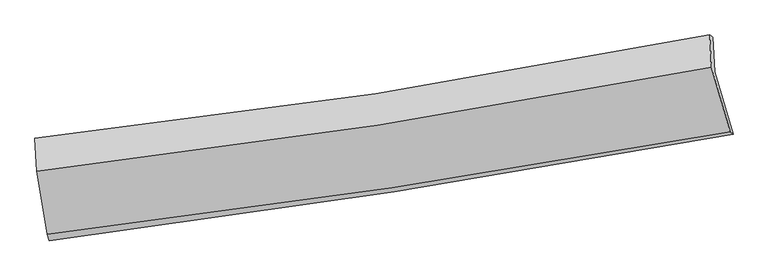
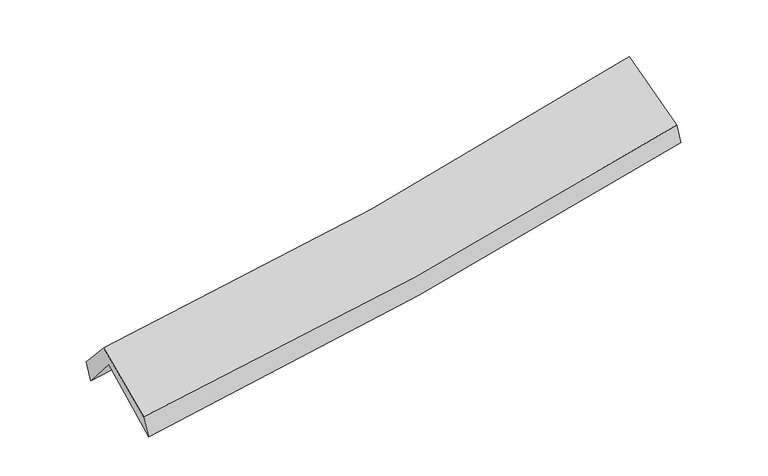
"""IFC4 building model written with IfcOpenShell, lengths in millimetres: proxy geometry."""

from ifc_helpers import new_model, si_unit, frame, origin, place, context, project, spatial, source, transform, mapped, element, save
from ifc_brep_helpers import plane_surface, spline_curve, spline_surface, advanced_brep


def generic_models_8d2b6505(model_context):
    return source(origin(), model_context, "Body", "AdvancedBrep", [
        advanced_brep(
        [(-2625.4599382, -2494.7600721, 1476.8404453), (-2710.7107973, -2001.6258533, 1916.6728688), (2632.4036686, -1159.4409351, 2370.8727937), (2777.0994316, -1652.8514972, 1952.2803063), (-2723.0620745, -1735.1650284, 1599.536135), (2617.0733522, -888.8128782, 2074.469321), (-2738.3943061, -1687.9593726, 1759.6563151), (2592.6465124, -869.7916868, 2245.4379651), (-2725.3344858, -1946.5302239, 2049.7240672), (2606.2421177, -1124.7582773, 2531.6503272), (-2641.7716469, -2444.4426495, 1647.0019807), (2753.0699873, -1632.945182, 2118.6032791)],
        [
            (0, 1),
            (1, 2, spline_curve(3, [(-2710.7107973, -2001.6258533, 1916.6728688), (-1808.519670069, -1892.072522326, 1965.671214119), (-909.920120384, -1766.677051542, 2028.281537), (871.045768484, -1485.629983402, 2179.955400641), (1753.48437387, -1330.297148097, 2268.745052814), (2632.4036686, -1159.4409351, 2370.8727937)], [4, 2, 4], [0.0, 9.001896895842586, 17.912769272771563])),
            (2, 3),
            (3, 0, spline_curve(3, [(2777.0994316, -1652.8514972, 1952.2803063), (1888.067182463, -1818.217722022, 1846.329791363), (995.64288029, -1970.768819366, 1753.866987477), (-805.140589492, -2251.668160899, 1595.110072731), (-1713.569410494, -2379.753255458, 1529.092922636), (-2625.4599382, -2494.7600721, 1476.8404453)], [4, 2, 4], [0.0, 8.910872376928976, 17.912769272771563])),
            (1, 4),
            (4, 5, spline_curve(3, [(-2723.0620745, -1735.1650284, 1599.536135), (-1821.200614019, -1625.7333187, 1654.3652145), (-923.01584294, -1500.047541749, 1721.621465845), (856.955320183, -1217.603107771, 1880.182576949), (1738.815691277, -1061.171501299, 1971.237387621), (2617.0733522, -888.8128782, 2074.469321)], [4, 2, 4], [0.0, 8.951992302548394, 17.813464706670253])),
            (5, 2),
            (4, 6),
            (6, 7, spline_curve(3, [(-2738.3943061, -1687.9593726, 1759.6563151), (-1837.264319353, -1588.499906265, 1813.311473609), (-940.209032181, -1470.147550174, 1880.896996892), (836.722586203, -1197.044841162, 2043.104508955), (1716.680905299, -1042.674635664, 2137.446202112), (2592.6465124, -869.7916868, 2245.4379651)], [4, 2, 4], [0.0, 8.941772229284433, 17.79312790250038])),
            (7, 5),
            (6, 8),
            (8, 9, spline_curve(3, [(-2725.3344858, -1946.5302239, 2049.7240672), (-1824.392454396, -1840.958964827, 2096.546424264), (-927.385564069, -1719.262825822, 2160.408351407), (849.727457483, -1445.014392164, 2321.393293782), (1729.912768282, -1292.786549189, 2418.173453452), (2606.2421177, -1124.7582773, 2531.6503272)], [4, 2, 4], [0.0, 8.932666266006134, 17.775008052751176])),
            (9, 7),
            (8, 10),
            (10, 11, spline_curve(3, [(-2641.7716469, -2444.4426495, 1647.0019807), (-1731.531548657, -2334.395462801, 1697.097744864), (-824.57344622, -2211.337662429, 1761.718878526), (973.641060914, -1940.576718128, 1919.211578644), (1864.963503214, -1793.135362391, 2011.790877884), (2753.0699873, -1632.945182, 2118.6032791)], [4, 2, 4], [0.0, 8.982014633115288, 17.873205790877073])),
            (11, 9),
            (10, 0),
            (3, 11),
        ],
        [
            spline_surface(3, 3, [[(-2625.4599382, -2494.7600721, 1476.8404453), (-1713.569410609, -2379.753255425, 1529.09292268), (-805.140589459, -2251.668161013, 1595.110072678), (995.642880257, -1970.768819253, 1753.86698753), (1888.067182365, -1818.217722, 1846.329791238), (2777.0994316, -1652.8514972, 1952.2803063)], [(-2653.876891215, -2330.381999184, 1623.451253115), (-1745.219497068, -2217.193011093, 1674.619019787), (-840.067099726, -2090.004457869, 1739.500560771), (954.110509611, -1809.055873922, 1895.896458593), (1843.206246201, -1655.577530667, 1987.13487842), (2728.867510606, -1488.381309841, 2091.811135426)], [(-2682.293844285, -2166.003926216, 1770.062060985), (-1776.869583583, -2054.632766709, 1820.145116948), (-874.993609971, -1928.340754777, 1883.891048846), (912.578138987, -1647.342928643, 2037.925929639), (1798.345310018, -1492.937339309, 2127.939965622), (2680.635589594, -1323.911122459, 2231.341964574)], [(-2710.7107973, -2001.6258533, 1916.6728688), (-1808.519670042, -1892.072522376, 1965.671214055), (-909.920120239, -1766.677051633, 2028.281536939), (871.04576834, -1485.629983312, 2179.955400702), (1753.484373854, -1330.297147975, 2268.745052804), (2632.4036686, -1159.4409351, 2370.8727937)]], [4, 4], [4, 2, 4], [0.0, 2.158958761131065], [0.0, 9.001896895842586, 17.912769272771563]),
            spline_surface(3, 3, [[(-2710.7107973, -2001.6258533, 1916.6728688), (-1808.519670042, -1892.072522376, 1965.671214055), (-909.920120239, -1766.677051633, 2028.281536939), (871.04576834, -1485.629983312, 2179.955400702), (1753.484373854, -1330.297147975, 2268.745052804), (2632.4036686, -1159.4409351, 2370.8727937)], [(-2714.827889715, -1912.805578316, 1810.960624196), (-1812.746651398, -1803.292787796, 1861.902547526), (-914.285361094, -1677.800548374, 1926.061513216), (866.348952285, -1396.287691461, 2080.031126106), (1748.594812946, -1240.588599027, 2169.575831082), (2627.29356313, -1069.231582792, 2272.071636142)], [(-2718.944982085, -1823.985303384, 1705.248379604), (-1816.973632708, -1714.513053267, 1758.13388101), (-918.650602012, -1588.924045068, 1823.841489549), (861.652136166, -1306.945399562, 1980.106851563), (1743.705252049, -1150.880050102, 2070.406609336), (2622.18345767, -979.022230508, 2173.270478558)], [(-2723.0620745, -1735.1650284, 1599.536135), (-1821.200614064, -1625.733318686, 1654.365214482), (-923.015842867, -1500.047541809, 1721.621465826), (856.955320111, -1217.603107711, 1880.182576967), (1738.815691141, -1061.171501154, 1971.237387615), (2617.0733522, -888.8128782, 2074.469321)]], [4, 4], [4, 2, 4], [0.0, 1.3270448340713767], [0.0, 8.951992302548394, 17.813464706670253]),
            spline_surface(3, 3, [[(-2723.0620745, -1735.1650284, 1599.536135), (-1821.200614064, -1625.733318686, 1654.365214482), (-923.015842867, -1500.047541809, 1721.621465826), (856.955320111, -1217.603107711, 1880.182576967), (1738.815691141, -1061.171501154, 1971.237387615), (2617.0733522, -888.8128782, 2074.469321)], [(-2728.172818352, -1719.42980981, 1652.909528378), (-1826.55518244, -1613.322181233, 1707.347300893), (-928.746906012, -1490.080877896, 1774.713309587), (850.211075467, -1210.750352221, 1934.489887612), (1731.437429245, -1055.005879275, 2026.640325799), (2608.931072287, -882.472481062, 2131.458869044)], [(-2733.283562248, -1703.69459119, 1706.282921722), (-1831.90975086, -1600.911043749, 1760.329387269), (-934.477969084, -1480.114213995, 1827.805153266), (843.466830894, -1203.897596744, 1988.797198176), (1724.059167288, -1048.84025741, 2082.043263952), (2600.788792313, -876.132083938, 2188.448417056)], [(-2738.3943061, -1687.9593726, 1759.6563151), (-1837.264319236, -1588.499906296, 1813.311473681), (-940.209032229, -1470.147550081, 1880.896997027), (836.72258625, -1197.044841254, 2043.104508822), (1716.680905392, -1042.674635531, 2137.446202137), (2592.6465124, -869.7916868, 2245.4379651)]], [4, 4], [4, 2, 4], [0.0, 0.5384515361233827], [0.0, 8.941772229284433, 17.79312790250038]),
            spline_surface(3, 3, [[(-2738.3943061, -1687.9593726, 1759.6563151), (-1837.264319236, -1588.499906296, 1813.311473681), (-940.209032229, -1470.147550081, 1880.896997027), (836.72258625, -1197.044841254, 2043.104508822), (1716.680905392, -1042.674635531, 2137.446202137), (2592.6465124, -869.7916868, 2245.4379651)], [(-2734.041032669, -1774.149656354, 1856.345565792), (-1832.973697645, -1672.652925836, 1907.723123828), (-935.934542819, -1553.185975286, 1974.067448426), (841.057543346, -1279.701358228, 2135.867437165), (1721.091526327, -1126.045273421, 2231.021952565), (2597.178380803, -954.780550295, 2340.8420858)], [(-2729.687759231, -1860.339940146, 1953.034816508), (-1828.683076048, -1756.805945412, 2002.134773998), (-931.660053472, -1636.224400547, 2067.237899881), (845.39250038, -1362.357875259, 2228.630365564), (1725.502147353, -1209.415911327, 2324.597702991), (2601.710249297, -1039.769413805, 2436.2462065)], [(-2725.3344858, -1946.5302239, 2049.7240672), (-1824.392454457, -1840.958964952, 2096.546424145), (-927.385564062, -1719.262825751, 2160.40835128), (849.727457476, -1445.014392234, 2321.393293907), (1729.912768288, -1292.786549218, 2418.173453419), (2606.2421177, -1124.7582773, 2531.6503272)]], [4, 4], [4, 2, 4], [0.0, 1.2264020465409484], [0.0, 8.932666266006134, 17.775008052751176]),
            spline_surface(3, 3, [[(-2725.3344858, -1946.5302239, 2049.7240672), (-1824.392454457, -1840.958964952, 2096.546424145), (-927.385564062, -1719.262825751, 2160.40835128), (849.727457476, -1445.014392234, 2321.393293907), (1729.912768288, -1292.786549218, 2418.173453419), (2606.2421177, -1124.7582773, 2531.6503272)], [(-2697.480206162, -2112.501032447, 1915.483371711), (-1793.438819157, -2005.4377976, 1963.396864405), (-893.114858119, -1883.287771355, 2027.511860371), (891.031991962, -1610.201834181, 2187.332722153), (1774.929679994, -1459.569486999, 2282.712594868), (2655.18474093, -1294.153912216, 2393.967977815)], [(-2669.625926538, -2278.471840953, 1781.242676189), (-1762.485183872, -2169.916630208, 1830.247304632), (-858.844152179, -2047.312716918, 1894.615369448), (932.336526444, -1775.389276089, 2053.272150385), (1819.94659161, -1626.352424731, 2147.251736372), (2704.12736407, -1463.549547084, 2256.285628485)], [(-2641.7716469, -2444.4426495, 1647.0019807), (-1731.531548572, -2334.395462856, 1697.097744892), (-824.573446236, -2211.337662522, 1761.71887854), (973.64106093, -1940.576718036, 1919.211578631), (1864.963503316, -1793.135362513, 2011.790877821), (2753.0699873, -1632.945182, 2118.6032791)]], [4, 4], [4, 2, 4], [0.0, 2.118622479637453], [0.0, 8.982014633115288, 17.873205790877073]),
            spline_surface(3, 3, [[(-2641.7716469, -2444.4426495, 1647.0019807), (-1731.531548572, -2334.395462856, 1697.097744892), (-824.573446236, -2211.337662522, 1761.71887854), (973.64106093, -1940.576718036, 1919.211578631), (1864.963503316, -1793.135362513, 2011.790877821), (2753.0699873, -1632.945182, 2118.6032791)], [(-2636.334410688, -2461.215123689, 1590.281468907), (-1725.544169273, -2349.514727035, 1641.096137495), (-818.095827322, -2224.78116203, 1706.182609917), (980.975000693, -1950.640751787, 1864.096714929), (1872.664729643, -1801.496149002, 1956.637182299), (2761.079802044, -1639.580620393, 2063.162288173)], [(-2630.897174412, -2477.987597911, 1533.560957093), (-1719.556789909, -2364.633991247, 1585.094530077), (-811.618208372, -2238.224661504, 1650.6463413), (988.308940493, -1960.704785502, 1808.981851232), (1880.365956038, -1809.856935511, 1901.48348676), (2769.089616856, -1646.216058807, 2007.721297227)], [(-2625.4599382, -2494.7600721, 1476.8404453), (-1713.569410609, -2379.753255425, 1529.09292268), (-805.140589459, -2251.668161013, 1595.110072678), (995.642880257, -1970.768819253, 1753.86698753), (1888.067182365, -1818.217722, 1846.329791238), (2777.0994316, -1652.8514972, 1952.2803063)]], [4, 4], [4, 2, 4], [0.0, 0.5608804551121409], [0.0, 9.041070607685034, 17.990720583468743]),
            plane_surface(frame((2663.0891783, -1221.4334095, 2215.552332), z_axis=(0.9754765961118286, 0.18531988676083605, 0.11875163160576617), x_axis=(0.21877594061358854, -0.7572068458705064, -0.6154468948459152))),
            plane_surface(frame((-2694.1222081, -2051.7472, 1741.5719687), z_axis=(-0.9912283763616326, -0.11763578993272936, -0.06023393414334076), x_axis=(-0.09153938929930654, 0.28237545408133036, 0.9549265119050118))),
        ],
        [
            (0, [[1, 2, 3, 4]]),
            (1, [[5, 6, 7, -2]]),
            (2, [[8, 9, 10, -6]]),
            (3, [[11, 12, 13, -9]]),
            (4, [[14, 15, 16, -12]]),
            (5, [[17, -4, 18, -15]]),
            (6, [[-16, -18, -3, -7, -10, -13]]),
            (7, [[-17, -14, -11, -8, -5, -1]]),
        ],
    ),
    ])


if __name__ == "__main__":
    model = new_model("IFC4")
    model_context = context("Model", 3, world=origin())
    ifc_project = project(units=[si_unit("LENGTHUNIT", "METRE", prefix="MILLI")], contexts=[model_context])
    site = spatial("IfcSite", under=ifc_project)
    building = spatial("IfcBuilding", under=site)
    placement = place(None, origin())
    generic_models_shape = generic_models_8d2b6505(model_context)
    element("IfcBuildingElementProxy", 1, Name="Generic Models", at=placement, inside=building, context=model_context, shape_type="MappedRepresentation", body=[
        mapped(generic_models_shape, transform((0.0, 0.0, 0.0), x_axis=(1.0, 0.0, 0.0), y_axis=(0.0, 1.0, 0.0), z_axis=(0.0, 0.0, 1.0))),
    ])
    save(model, "model.ifc")
